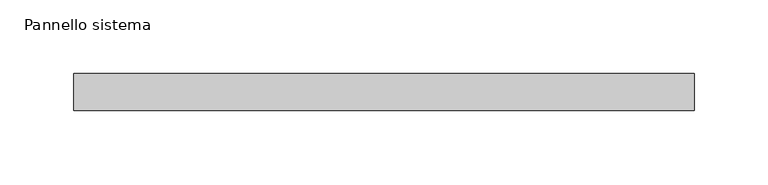
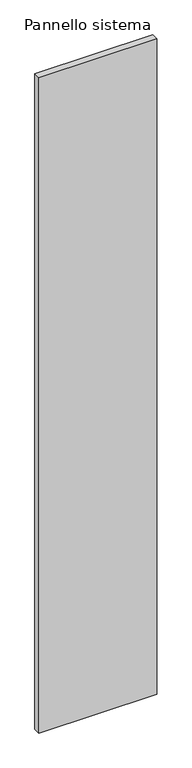
"""IFC4 building model written with IfcOpenShell, lengths in millimetres: plate geometry, Pannello sistema."""

from ifc_helpers import new_model, si_unit, origin, origin_with_axes, place, context, project, spatial, polyline, outline, extrude, source, transform, mapped, element, save


def pannello_sistema_70b87807(model_context):
    return source(origin(), model_context, "Body", "SweptSolid", [
        extrude(outline(polyline([(210.0, -12.5), (-210.0, -12.5), (-210.0, 12.5), (210.0, 12.5), (210.0, -12.5)])), origin_with_axes(), (0.0, 0.0, 1.0), 2470.0),
    ])


if __name__ == "__main__":
    model = new_model("IFC4")
    model_context = context("Model", 3, world=origin())
    ifc_project = project(units=[si_unit("LENGTHUNIT", "METRE", prefix="MILLI")], contexts=[model_context])
    site = spatial("IfcSite", under=ifc_project)
    building = spatial("IfcBuilding", under=site)
    placement = place(None, origin())
    pannello_sistema_shape = pannello_sistema_70b87807(model_context)
    element("IfcPlate", 1, ObjectType="Pannello sistema", at=placement, inside=building, context=model_context, shape_type="MappedRepresentation", body=[
        mapped(pannello_sistema_shape, transform((0.0, 0.0, 0.0), x_axis=(1.0, 0.0, 0.0), y_axis=(0.0, 1.0, 0.0), z_axis=(0.0, 0.0, 1.0))),
    ])
    save(model, "model.ifc")
